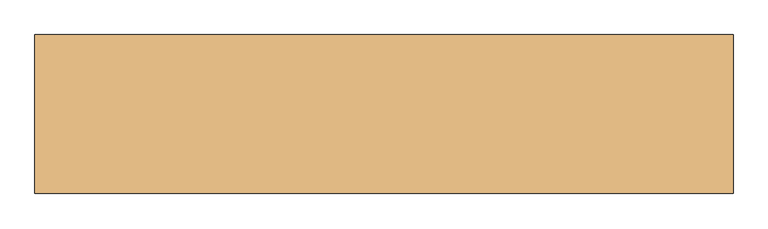
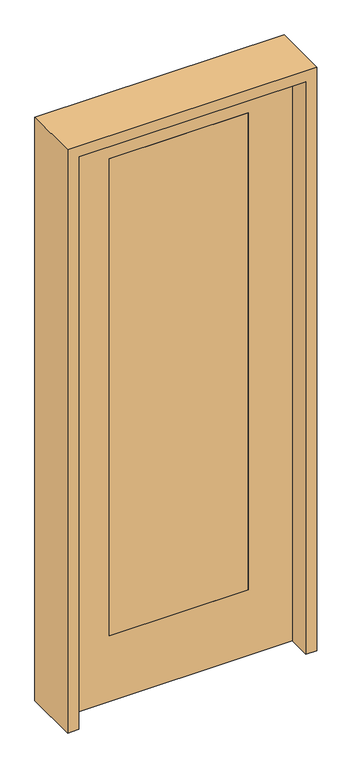
"""IFC4 building model written with IfcOpenShell, lengths in millimetres: door geometry."""

from ifc_helpers import new_model, si_unit, frame, origin, place, context, project, spatial, polyline, outline, extrude, source, transform, mapped, element, save


def door_9f1947a3(model_context):
    return source(origin(), model_context, "Body", "SweptSolid", [
        extrude(outline(polyline([(2438.4, 457.2), (2438.4, -457.2), (0.0, -457.2), (0.0, 457.2), (2438.4, 457.2)]), holes=[polyline([(279.4, 279.4), (279.4, -279.4), (2311.4, -279.4), (2311.4, 279.4), (279.4, 279.4)])]), frame((0.0, -20.6375, 0.0), z_axis=(0.0, 1.0, 0.0), x_axis=(0.0, 0.0, 1.0)), (0.0, 0.0, 1.0), 41.275),
        extrude(outline(polyline([(279.4, -20.6375), (-279.4, -20.6375), (-279.4, 20.6375), (279.4, 20.6375), (279.4, -20.6375)])), frame((0.0, 0.0, 279.4), z_axis=(0.0, 0.0, 1.0), x_axis=(1.0, 0.0, 0.0)), (0.0, 0.0, 1.0), 2032.0),
        extrude(outline(polyline([(2482.85, -501.65), (0.0, -501.65), (0.0, -457.2), (2438.4, -457.2), (2438.4, 457.2), (0.0, 457.2), (0.0, 501.65), (2482.85, 501.65), (2482.85, -501.65)])), frame((0.0, -114.3, 0.0), z_axis=(0.0, 1.0, 0.0), x_axis=(0.0, 0.0, 1.0)), (0.0, 0.0, 1.0), 228.6),
    ])


if __name__ == "__main__":
    model = new_model("IFC4")
    model_context = context("Model", 3, world=origin())
    ifc_project = project(units=[si_unit("LENGTHUNIT", "METRE", prefix="MILLI")], contexts=[model_context])
    site = spatial("IfcSite", under=ifc_project)
    building = spatial("IfcBuilding", under=site)
    placement = place(None, origin())
    door_shape = door_9f1947a3(model_context)
    element("IfcDoor", 1, at=placement, inside=building, context=model_context, shape_type="MappedRepresentation", body=[
        mapped(door_shape, transform((0.0, 0.0, 0.0), x_axis=(1.0, 0.0, 0.0), y_axis=(0.0, 1.0, 0.0), z_axis=(0.0, 0.0, 1.0))),
    ])
    save(model, "model.ifc")
